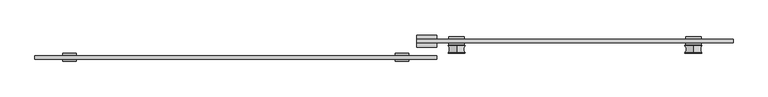
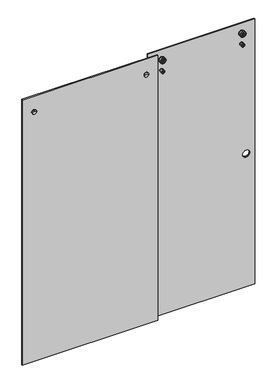
"""IFC4 building model written with IfcOpenShell, lengths in millimetres: proxy geometry."""

from ifc_helpers import new_model, si_unit, point, frame, frame_2d, origin, place, context, project, spatial, polyline, circle_curve, ellipse_curve, trimmed, segment, composite_curve, outline, extrude, source, transform, mapped, element, save
from ifc_brep_helpers import plane_surface, cylinder_surface, revolved_surface, advanced_brep


def specialty_equipment_40548308(model_context):
    return source(origin(), model_context, "Body", "SolidModel", [
        extrude(outline(polyline([(22.954, 0.0), (22.954, 21.2725), (33.8125, 21.2725), (33.8125, 4.2672), (43.3375, 4.2672), (43.3375, 21.2725), (54.196, 21.2725), (54.196, 0.0), (22.954, 0.0)])), frame((84.1375, 0.0, 0.0), z_axis=(1.0, 0.0, 0.0), x_axis=(0.0, 1.0, 0.0)), (0.0, 0.0, 1.0), 50.8225782),
        advanced_brep(
        [(46.0375, 7.14375, 2011.5609375), (63.1825, 7.14375, 2011.5609375), (28.8925, 7.14375, 2011.5609375), (28.8925, -13.7914063, 2011.5609375), (63.1825, -13.7914063, 2011.5609375), (46.0375, -13.7914063, 2011.5609375), (28.8925, -8.73125, 2011.5609375), (63.1825, -8.73125, 2011.5609375), (39.6875, -8.73125, 2011.5609375), (52.3875, -8.73125, 2011.5609375), (39.6875, 0.79375, 2011.5609375), (52.3875, 0.79375, 2011.5609375), (28.8925, 0.79375, 2011.5609375), (63.1825, 0.79375, 2011.5609375)],
        [
            (0, 1),
            (1, 2, circle_curve(frame((46.0375, 7.14375, 2011.5609375), z_axis=(0.0, 1.0, 0.0), x_axis=(1.0, 0.0, 0.0)), 17.145)),
            (2, 0),
            (2, 1, circle_curve(frame((46.0375, 7.14375, 2011.5609375), z_axis=(0.0, 1.0, 0.0), x_axis=(1.0, 0.0, 0.0)), 17.145)),
            (3, 4, circle_curve(frame((46.0375, -13.7914063, 2011.5609375), z_axis=(0.0, -1.0, 0.0), x_axis=(1.0, 0.0, 0.0)), 17.145)),
            (4, 5),
            (5, 3),
            (4, 3, circle_curve(frame((46.0375, -13.7914063, 2011.5609375), z_axis=(0.0, -1.0, 0.0), x_axis=(1.0, 0.0, 0.0)), 17.145)),
            (6, 7, circle_curve(frame((46.0375, -8.73125, 2011.5609375), z_axis=(0.0, -1.0, 0.0), x_axis=(1.0, 0.0, 0.0)), 17.145)),
            (7, 4),
            (3, 6),
            (7, 6, circle_curve(frame((46.0375, -8.73125, 2011.5609375), z_axis=(0.0, -1.0, 0.0), x_axis=(1.0, 0.0, 0.0)), 17.145)),
            (8, 9, circle_curve(frame((46.0375, -8.73125, 2011.5609375), z_axis=(0.0, -1.0, 0.0), x_axis=(1.0, 0.0, 0.0)), 6.35)),
            (9, 7),
            (6, 8),
            (9, 8, circle_curve(frame((46.0375, -8.73125, 2011.5609375), z_axis=(0.0, -1.0, 0.0), x_axis=(1.0, 0.0, 0.0)), 6.35)),
            (10, 11, circle_curve(frame((46.0375, 0.79375, 2011.5609375), z_axis=(0.0, -1.0, 0.0), x_axis=(1.0, 0.0, 0.0)), 6.35)),
            (11, 9),
            (8, 10),
            (11, 10, circle_curve(frame((46.0375, 0.79375, 2011.5609375), z_axis=(0.0, -1.0, 0.0), x_axis=(1.0, 0.0, 0.0)), 6.35)),
            (12, 13, circle_curve(frame((46.0375, 0.79375, 2011.5609375), z_axis=(0.0, -1.0, 0.0), x_axis=(1.0, 0.0, 0.0)), 17.145)),
            (13, 11),
            (10, 12),
            (13, 12, circle_curve(frame((46.0375, 0.79375, 2011.5609375), z_axis=(0.0, -1.0, 0.0), x_axis=(1.0, 0.0, 0.0)), 17.145)),
            (1, 13),
            (12, 2),
        ],
        [
            plane_surface(frame((46.0375, 7.14375, 2011.5609375), z_axis=(0.0, 1.0, 0.0), x_axis=(1.0, 0.0, 0.0))),
            plane_surface(frame((46.0375, -13.7914063, 2011.5609375), z_axis=(0.0, -1.0, 0.0), x_axis=(1.0, 0.0, 0.0))),
            cylinder_surface(frame((46.0375, 7.14375, 2011.5609375), z_axis=(0.0, 1.0, 0.0), x_axis=(1.0, 0.0, 0.0)), 17.145),
            plane_surface(frame((46.0375, -8.73125, 2011.5609375), z_axis=(0.0, 1.0, 0.0), x_axis=(1.0, 0.0, 0.0))),
            cylinder_surface(frame((46.0375, 7.14375, 2011.5609375), z_axis=(0.0, 1.0, 0.0), x_axis=(1.0, 0.0, 0.0)), 6.35),
            plane_surface(frame((46.0375, 0.79375, 2011.5609375), z_axis=(0.0, -1.0, 0.0), x_axis=(1.0, 0.0, 0.0))),
        ],
        [
            (0, [[1, 2, 3]]),
            (0, [[-3, 4, -1]]),
            (1, [[5, 6, 7]]),
            (1, [[8, -7, -6]]),
            (2, [[9, 10, -5, 11]]),
            (2, [[12, -11, -8, -10]]),
            (3, [[13, 14, -9, 15]]),
            (3, [[16, -15, -12, -14]]),
            (4, [[17, 18, -13, 19]]),
            (4, [[20, -19, -16, -18]]),
            (5, [[21, 22, -17, 23]]),
            (5, [[24, -23, -20, -22]]),
            (2, [[-2, 25, -21, 26]]),
            (2, [[-4, -26, -24, -25]]),
        ],
    ),
        advanced_brep(
        [(-804.8625, 7.14375, 2011.5609375), (-787.7175, 7.14375, 2011.5609375), (-822.0075, 7.14375, 2011.5609375), (-822.0075, -13.7914063, 2011.5609375), (-787.7175, -13.7914063, 2011.5609375), (-804.8625, -13.7914063, 2011.5609375), (-822.0075, -8.73125, 2011.5609375), (-787.7175, -8.73125, 2011.5609375), (-811.2125, -8.73125, 2011.5609375), (-798.5125, -8.73125, 2011.5609375), (-811.2125, 0.79375, 2011.5609375), (-798.5125, 0.79375, 2011.5609375), (-822.0075, 0.79375, 2011.5609375), (-787.7175, 0.79375, 2011.5609375)],
        [
            (0, 1),
            (1, 2, circle_curve(frame((-804.8625, 7.14375, 2011.5609375), z_axis=(0.0, 1.0, 0.0), x_axis=(1.0, 0.0, 0.0)), 17.145)),
            (2, 0),
            (2, 1, circle_curve(frame((-804.8625, 7.14375, 2011.5609375), z_axis=(0.0, 1.0, 0.0), x_axis=(1.0, 0.0, 0.0)), 17.145)),
            (3, 4, circle_curve(frame((-804.8625, -13.7914063, 2011.5609375), z_axis=(0.0, -1.0, 0.0), x_axis=(1.0, 0.0, 0.0)), 17.145)),
            (4, 5),
            (5, 3),
            (4, 3, circle_curve(frame((-804.8625, -13.7914063, 2011.5609375), z_axis=(0.0, -1.0, 0.0), x_axis=(1.0, 0.0, 0.0)), 17.145)),
            (6, 7, circle_curve(frame((-804.8625, -8.73125, 2011.5609375), z_axis=(0.0, -1.0, 0.0), x_axis=(1.0, 0.0, 0.0)), 17.145)),
            (7, 4),
            (3, 6),
            (7, 6, circle_curve(frame((-804.8625, -8.73125, 2011.5609375), z_axis=(0.0, -1.0, 0.0), x_axis=(1.0, 0.0, 0.0)), 17.145)),
            (8, 9, circle_curve(frame((-804.8625, -8.73125, 2011.5609375), z_axis=(0.0, -1.0, 0.0), x_axis=(1.0, 0.0, 0.0)), 6.35)),
            (9, 7),
            (6, 8),
            (9, 8, circle_curve(frame((-804.8625, -8.73125, 2011.5609375), z_axis=(0.0, -1.0, 0.0), x_axis=(1.0, 0.0, 0.0)), 6.35)),
            (10, 11, circle_curve(frame((-804.8625, 0.79375, 2011.5609375), z_axis=(0.0, -1.0, 0.0), x_axis=(1.0, 0.0, 0.0)), 6.35)),
            (11, 9),
            (8, 10),
            (11, 10, circle_curve(frame((-804.8625, 0.79375, 2011.5609375), z_axis=(0.0, -1.0, 0.0), x_axis=(1.0, 0.0, 0.0)), 6.35)),
            (12, 13, circle_curve(frame((-804.8625, 0.79375, 2011.5609375), z_axis=(0.0, -1.0, 0.0), x_axis=(1.0, 0.0, 0.0)), 17.145)),
            (13, 11),
            (10, 12),
            (13, 12, circle_curve(frame((-804.8625, 0.79375, 2011.5609375), z_axis=(0.0, -1.0, 0.0), x_axis=(1.0, 0.0, 0.0)), 17.145)),
            (1, 13),
            (12, 2),
        ],
        [
            plane_surface(frame((-804.8625, 7.14375, 2011.5609375), z_axis=(0.0, 1.0, 0.0), x_axis=(1.0, 0.0, 0.0))),
            plane_surface(frame((-804.8625, -13.7914063, 2011.5609375), z_axis=(0.0, -1.0, 0.0), x_axis=(1.0, 0.0, 0.0))),
            cylinder_surface(frame((-804.8625, 7.14375, 2011.5609375), z_axis=(0.0, 1.0, 0.0), x_axis=(1.0, 0.0, 0.0)), 17.145),
            plane_surface(frame((-804.8625, -8.73125, 2011.5609375), z_axis=(0.0, 1.0, 0.0), x_axis=(1.0, 0.0, 0.0))),
            cylinder_surface(frame((-804.8625, 7.14375, 2011.5609375), z_axis=(0.0, 1.0, 0.0), x_axis=(1.0, 0.0, 0.0)), 6.35),
            plane_surface(frame((-804.8625, 0.79375, 2011.5609375), z_axis=(0.0, -1.0, 0.0), x_axis=(1.0, 0.0, 0.0))),
        ],
        [
            (0, [[1, 2, 3]]),
            (0, [[-3, 4, -1]]),
            (1, [[5, 6, 7]]),
            (1, [[8, -7, -6]]),
            (2, [[9, 10, -5, 11]]),
            (2, [[12, -11, -8, -10]]),
            (3, [[13, 14, -9, 15]]),
            (3, [[16, -15, -12, -14]]),
            (4, [[17, 18, -13, 19]]),
            (4, [[20, -19, -16, -18]]),
            (5, [[21, 22, -17, 23]]),
            (5, [[24, -23, -20, -22]]),
            (2, [[-2, 25, -21, 26]]),
            (2, [[-4, -26, -24, -25]]),
        ],
    ),
        extrude(outline(polyline([(134.9375, -8.73125), (-893.7625, -8.73125), (-893.7625, 0.79375), (134.9375, 0.79375), (134.9375, -8.73125)])), frame((0.0, 0.0, 6.35), z_axis=(0.0, 0.0, 1.0), x_axis=(1.0, 0.0, 0.0)), (0.0, 0.0, 1.0), 2127.25),
        advanced_brep(
        [(792.1625, 7.5883812, 1975.7082127), (792.1625, 7.5883812, 1968.0386623), (792.1625, 7.5883812, 1970.2859375), (792.1625, 7.5883812, 1973.4609375), (792.1625, 8.985918, 1984.1389114), (792.1625, 8.985918, 1959.6079636), (792.1625, 7.6256516, 1960.4379605), (792.1625, 7.6256516, 1983.3089145), (792.1625, 26.3538192, 1984.2064616), (792.1625, 26.3538192, 1959.5404134), (792.1625, 27.4625, 1973.4609375), (792.1625, 27.4625, 1970.2859375), (792.1625, 27.4625, 1959.5404134), (792.1625, 27.4625, 1984.2064616), (792.1625, 8.6630529, 1975.7082127), (792.1625, 8.6630529, 1968.0386623), (792.1625, 8.6630529, 1978.8596289), (792.1625, 8.6630529, 1964.8872461), (792.1625, 7.6256516, 1978.8596289), (792.1625, 7.6256516, 1964.8872461)],
        [
            (0, 1, circle_curve(frame((792.1625, 7.5883812, 1971.8734375), z_axis=(0.0, -1.0, 0.0), x_axis=(0.0, 0.0, -1.0)), 3.8347752)),
            (1, 2),
            (2, 3, circle_curve(frame((792.1625, 7.5883812, 1971.8734375), z_axis=(0.0, 1.0, 0.0), x_axis=(0.0, 0.0, -1.0)), 1.5875)),
            (3, 0),
            (1, 0, circle_curve(frame((792.1625, 7.5883812, 1971.8734375), z_axis=(0.0, -1.0, 0.0), x_axis=(0.0, 0.0, -1.0)), 3.8347752)),
            (3, 2, circle_curve(frame((792.1625, 7.5883812, 1971.8734375), z_axis=(0.0, 1.0, 0.0), x_axis=(0.0, 0.0, -1.0)), 1.5875)),
            (4, 5, circle_curve(frame((792.1625, 8.985918, 1971.8734375), z_axis=(0.0, -1.0, 0.0), x_axis=(0.0, 0.0, -1.0)), 12.2654739)),
            (5, 6, circle_curve(frame((792.1625, 8.5590054, 1960.4379605), z_axis=(-1.0, 0.0, 0.0), x_axis=(0.0, 1.0, 0.0)), 0.9333538)),
            (6, 7, circle_curve(frame((792.1625, 7.6256516, 1971.8734375), z_axis=(0.0, 1.0, 0.0), x_axis=(0.0, 0.0, -1.0)), 11.435477)),
            (7, 4, circle_curve(frame((792.1625, 8.5590054, 1983.3089145), z_axis=(-1.0, 0.0, 0.0), x_axis=(0.0, 1.0, 0.0)), 0.9333538)),
            (5, 4, circle_curve(frame((792.1625, 8.985918, 1971.8734375), z_axis=(0.0, -1.0, 0.0), x_axis=(0.0, 0.0, -1.0)), 12.2654739)),
            (7, 6, circle_curve(frame((792.1625, 7.6256516, 1971.8734375), z_axis=(0.0, 1.0, 0.0), x_axis=(0.0, 0.0, -1.0)), 11.435477)),
            (8, 9, circle_curve(frame((792.1625, 26.3538192, 1971.8734375), z_axis=(0.0, -1.0, 0.0), x_axis=(0.0, 0.0, -1.0)), 12.3330241)),
            (9, 5, circle_curve(frame((792.1625, 17.5686149, 1933.5407643), z_axis=(1.0, 0.0, 0.0), x_axis=(0.0, 1.0, 0.0)), 27.4437892)),
            (4, 8, circle_curve(frame((792.1625, 17.5686149, 2010.2061107), z_axis=(1.0, 0.0, 0.0), x_axis=(0.0, 1.0, 0.0)), 27.4437892)),
            (9, 8, circle_curve(frame((792.1625, 26.3538192, 1971.8734375), z_axis=(0.0, -1.0, 0.0), x_axis=(0.0, 0.0, -1.0)), 12.3330241)),
            (10, 11, circle_curve(frame((792.1625, 27.4625, 1971.8734375), z_axis=(0.0, -1.0, 0.0), x_axis=(0.0, 0.0, -1.0)), 1.5875)),
            (11, 12),
            (12, 13, circle_curve(frame((792.1625, 27.4625, 1971.8734375), z_axis=(0.0, 1.0, 0.0), x_axis=(0.0, 0.0, -1.0)), 12.3330241)),
            (13, 10),
            (11, 10, circle_curve(frame((792.1625, 27.4625, 1971.8734375), z_axis=(0.0, -1.0, 0.0), x_axis=(0.0, 0.0, -1.0)), 1.5875)),
            (13, 12, circle_curve(frame((792.1625, 27.4625, 1971.8734375), z_axis=(0.0, 1.0, 0.0), x_axis=(0.0, 0.0, -1.0)), 12.3330241)),
            (2, 11),
            (10, 3),
            (14, 15, circle_curve(frame((792.1625, 8.6630529, 1971.8734375), z_axis=(0.0, -1.0, 0.0), x_axis=(0.0, 0.0, -1.0)), 3.8347752)),
            (15, 1),
            (0, 14),
            (15, 14, circle_curve(frame((792.1625, 8.6630529, 1971.8734375), z_axis=(0.0, -1.0, 0.0), x_axis=(0.0, 0.0, -1.0)), 3.8347752)),
            (16, 17, circle_curve(frame((792.1625, 8.6630529, 1971.8734375), z_axis=(0.0, -1.0, 0.0), x_axis=(0.0, 0.0, -1.0)), 6.9861914)),
            (17, 15),
            (14, 16),
            (17, 16, circle_curve(frame((792.1625, 8.6630529, 1971.8734375), z_axis=(0.0, -1.0, 0.0), x_axis=(0.0, 0.0, -1.0)), 6.9861914)),
            (18, 19, circle_curve(frame((792.1625, 7.6256516, 1971.8734375), z_axis=(0.0, -1.0, 0.0), x_axis=(0.0, 0.0, -1.0)), 6.9861914)),
            (19, 17),
            (16, 18),
            (19, 18, circle_curve(frame((792.1625, 7.6256516, 1971.8734375), z_axis=(0.0, -1.0, 0.0), x_axis=(0.0, 0.0, -1.0)), 6.9861914)),
            (6, 19),
            (18, 7),
            (12, 9),
            (8, 13),
        ],
        [
            plane_surface(frame((792.1625, 7.5883812, 1971.8734375), z_axis=(0.0, -1.0, 0.0), x_axis=(0.0, 0.0, -1.0))),
            revolved_surface(trimmed(ellipse_curve(frame((792.1625, 8.5590054, 1960.4379605), z_axis=(1.0, 0.0, 0.0), x_axis=(0.0, 1.0, 0.0)), 0.9333538, 0.9333538), [point((792.1625, 7.6256516, 1960.4379605))], [point((792.1625, 8.985918, 1959.6079636))], True, "CARTESIAN"), (792.1625, -13.5349359, 1971.8734375), (0.0, 1.0, 0.0)),
            revolved_surface(trimmed(ellipse_curve(frame((792.1625, 17.5686149, 1933.5407643), z_axis=(-1.0, 0.0, 0.0), x_axis=(0.0, 1.0, 0.0)), 27.4437892, 27.4437892), [point((792.1625, 8.985918, 1959.6079636))], [point((792.1625, 26.3538192, 1959.5404134))], True, "CARTESIAN"), (792.1625, -13.5349359, 1971.8734375), (0.0, 1.0, 0.0)),
            plane_surface(frame((792.1625, 27.4625, 1971.8734375), z_axis=(0.0, 1.0, 0.0), x_axis=(0.0, 0.0, -1.0))),
            revolved_surface(polyline([(792.1625, 27.4625, 1970.2859374999998), (792.1625, 7.588381200000001, 1970.2859374999998)]), (792.1625, -13.5349359, 1971.8734375), (0.0, 1.0, 0.0)),
            cylinder_surface(frame((792.1625, -13.5349359, 1971.8734375), z_axis=(0.0, 1.0, 0.0), x_axis=(0.0, 0.0, -1.0)), 3.8347752),
            plane_surface(frame((792.1625, 8.6630529, 1971.8734375), z_axis=(0.0, -1.0, 0.0), x_axis=(0.0, 0.0, -1.0))),
            revolved_surface(polyline([(792.1625, 8.6630529, 1964.8872460999999), (792.1625, 7.625651600000001, 1964.8872460999999)]), (792.1625, -13.5349359, 1971.8734375), (0.0, 1.0, 0.0)),
            plane_surface(frame((792.1625, 7.6256516, 1971.8734375), z_axis=(0.0, -1.0, 0.0), x_axis=(0.0, 0.0, -1.0))),
            cylinder_surface(frame((792.1625, -13.5349359, 1971.8734375), z_axis=(0.0, 1.0, 0.0), x_axis=(0.0, 0.0, -1.0)), 12.3330241),
        ],
        [
            (0, [[1, 2, 3, 4]]),
            (0, [[5, -4, 6, -2]]),
            (1, [[7, 8, 9, 10]]),
            (1, [[11, -10, 12, -8]]),
            (2, [[13, 14, -7, 15]]),
            (2, [[16, -15, -11, -14]]),
            (3, [[17, 18, 19, 20]]),
            (3, [[21, -20, 22, -18]]),
            (4, [[-3, 23, -17, 24]]),
            (4, [[-6, -24, -21, -23]]),
            (5, [[25, 26, -1, 27]]),
            (5, [[28, -27, -5, -26]]),
            (6, [[29, 30, -25, 31]]),
            (6, [[32, -31, -28, -30]]),
            (7, [[33, 34, -29, 35]]),
            (7, [[36, -35, -32, -34]]),
            (8, [[-9, 37, -33, 38]]),
            (8, [[-12, -38, -36, -37]]),
            (9, [[-19, 39, -13, 40]]),
            (9, [[-22, -40, -16, -39]]),
        ],
    ),
        advanced_brep(
        [(792.1625, 23.9534145, 2074.7365624), (792.1625, 23.9534145, 2046.8103126), (792.1625, 27.4625, 2046.8103126), (792.1625, 27.4625, 2074.7365624), (792.1625, 23.9534145, 2067.0068419), (792.1625, 23.9534145, 2054.5400331), (792.1625, 27.4625, 2067.0068419), (792.1625, 27.4625, 2054.5400331), (792.1625, 27.4625, 2062.3609375), (792.1625, 27.4625, 2059.1859375), (792.1625, 7.4625, 2067.0068419), (792.1625, 7.4625, 2054.5400331), (792.1625, 7.4625, 2059.1859375), (792.1625, 7.4625, 2062.3609375), (792.1625, 8.6630529, 2067.0068419), (792.1625, 8.6630529, 2054.5400331), (792.1625, 8.6630529, 2074.7365624), (792.1625, 8.6630529, 2046.8103126), (792.1625, 7.4625, 2074.7365624), (792.1625, 7.4625, 2046.8103126), (792.1625, 7.4625, 2081.7122212), (792.1625, 7.4625, 2039.8346538), (792.1625, 8.8478411, 2082.6587111), (792.1625, 8.8478411, 2038.8881639), (792.1625, 26.0771589, 2082.6587111), (792.1625, 26.0771589, 2038.8881639), (792.1625, 27.4625, 2081.7122212), (792.1625, 27.4625, 2039.8346538)],
        [
            (0, 1, circle_curve(frame((792.1625, 23.9534145, 2060.7734375), z_axis=(0.0, -1.0, 0.0), x_axis=(0.0, 0.0, -1.0)), 13.9631249)),
            (1, 2),
            (2, 3, circle_curve(frame((792.1625, 27.4625, 2060.7734375), z_axis=(0.0, 1.0, 0.0), x_axis=(0.0, 0.0, -1.0)), 13.9631249)),
            (3, 0),
            (1, 0, circle_curve(frame((792.1625, 23.9534145, 2060.7734375), z_axis=(0.0, -1.0, 0.0), x_axis=(0.0, 0.0, -1.0)), 13.9631249)),
            (3, 2, circle_curve(frame((792.1625, 27.4625, 2060.7734375), z_axis=(0.0, 1.0, 0.0), x_axis=(0.0, 0.0, -1.0)), 13.9631249)),
            (4, 5, circle_curve(frame((792.1625, 23.9534145, 2060.7734375), z_axis=(0.0, -1.0, 0.0), x_axis=(0.0, 0.0, -1.0)), 6.2334044)),
            (5, 1),
            (0, 4),
            (5, 4, circle_curve(frame((792.1625, 23.9534145, 2060.7734375), z_axis=(0.0, -1.0, 0.0), x_axis=(0.0, 0.0, -1.0)), 6.2334044)),
            (6, 7, circle_curve(frame((792.1625, 27.4625, 2060.7734375), z_axis=(0.0, -1.0, 0.0), x_axis=(0.0, 0.0, -1.0)), 6.2334044)),
            (7, 5),
            (4, 6),
            (7, 6, circle_curve(frame((792.1625, 27.4625, 2060.7734375), z_axis=(0.0, -1.0, 0.0), x_axis=(0.0, 0.0, -1.0)), 6.2334044)),
            (8, 9, circle_curve(frame((792.1625, 27.4625, 2060.7734375), z_axis=(0.0, -1.0, 0.0), x_axis=(0.0, 0.0, -1.0)), 1.5875)),
            (9, 7),
            (6, 8),
            (9, 8, circle_curve(frame((792.1625, 27.4625, 2060.7734375), z_axis=(0.0, -1.0, 0.0), x_axis=(0.0, 0.0, -1.0)), 1.5875)),
            (10, 11, circle_curve(frame((792.1625, 7.4625, 2060.7734375), z_axis=(0.0, -1.0, 0.0), x_axis=(0.0, 0.0, -1.0)), 6.2334044)),
            (11, 12),
            (12, 13, circle_curve(frame((792.1625, 7.4625, 2060.7734375), z_axis=(0.0, 1.0, 0.0), x_axis=(0.0, 0.0, -1.0)), 1.5875)),
            (13, 10),
            (11, 10, circle_curve(frame((792.1625, 7.4625, 2060.7734375), z_axis=(0.0, -1.0, 0.0), x_axis=(0.0, 0.0, -1.0)), 6.2334044)),
            (13, 12, circle_curve(frame((792.1625, 7.4625, 2060.7734375), z_axis=(0.0, 1.0, 0.0), x_axis=(0.0, 0.0, -1.0)), 1.5875)),
            (14, 15, circle_curve(frame((792.1625, 8.6630529, 2060.7734375), z_axis=(0.0, -1.0, 0.0), x_axis=(0.0, 0.0, -1.0)), 6.2334044)),
            (15, 11),
            (10, 14),
            (15, 14, circle_curve(frame((792.1625, 8.6630529, 2060.7734375), z_axis=(0.0, -1.0, 0.0), x_axis=(0.0, 0.0, -1.0)), 6.2334044)),
            (16, 17, circle_curve(frame((792.1625, 8.6630529, 2060.7734375), z_axis=(0.0, -1.0, 0.0), x_axis=(0.0, 0.0, -1.0)), 13.9631249)),
            (17, 15),
            (14, 16),
            (17, 16, circle_curve(frame((792.1625, 8.6630529, 2060.7734375), z_axis=(0.0, -1.0, 0.0), x_axis=(0.0, 0.0, -1.0)), 13.9631249)),
            (18, 19, circle_curve(frame((792.1625, 7.4625, 2060.7734375), z_axis=(0.0, -1.0, 0.0), x_axis=(0.0, 0.0, -1.0)), 13.9631249)),
            (19, 17),
            (16, 18),
            (19, 18, circle_curve(frame((792.1625, 7.4625, 2060.7734375), z_axis=(0.0, -1.0, 0.0), x_axis=(0.0, 0.0, -1.0)), 13.9631249)),
            (20, 21, circle_curve(frame((792.1625, 7.4625, 2060.7734375), z_axis=(0.0, -1.0, 0.0), x_axis=(0.0, 0.0, -1.0)), 20.9387837)),
            (21, 19),
            (18, 20),
            (21, 20, circle_curve(frame((792.1625, 7.4625, 2060.7734375), z_axis=(0.0, -1.0, 0.0), x_axis=(0.0, 0.0, -1.0)), 20.9387837)),
            (22, 23, circle_curve(frame((792.1625, 8.8478411, 2060.7734375), z_axis=(0.0, -1.0, 0.0), x_axis=(0.0, 0.0, -1.0)), 21.8852736)),
            (23, 21, circle_curve(frame((792.1625, 8.4785, 2039.8346538), z_axis=(-1.0, 0.0, 0.0), x_axis=(0.0, 1.0, 0.0)), 1.016)),
            (20, 22, circle_curve(frame((792.1625, 8.4785, 2081.7122212), z_axis=(-1.0, 0.0, 0.0), x_axis=(0.0, 1.0, 0.0)), 1.016)),
            (23, 22, circle_curve(frame((792.1625, 8.8478411, 2060.7734375), z_axis=(0.0, -1.0, 0.0), x_axis=(0.0, 0.0, -1.0)), 21.8852736)),
            (24, 25, circle_curve(frame((792.1625, 26.0771589, 2060.7734375), z_axis=(0.0, -1.0, 0.0), x_axis=(0.0, 0.0, -1.0)), 21.8852736)),
            (25, 23, circle_curve(frame((792.1625, 17.4625, 2029.5308223), z_axis=(1.0, 0.0, 0.0), x_axis=(0.0, 1.0, 0.0)), 12.7189697)),
            (22, 24, circle_curve(frame((792.1625, 17.4625, 2092.0160527), z_axis=(1.0, 0.0, 0.0), x_axis=(0.0, 1.0, 0.0)), 12.7189697)),
            (25, 24, circle_curve(frame((792.1625, 26.0771589, 2060.7734375), z_axis=(0.0, -1.0, 0.0), x_axis=(0.0, 0.0, -1.0)), 21.8852736)),
            (26, 27, circle_curve(frame((792.1625, 27.4625, 2060.7734375), z_axis=(0.0, -1.0, 0.0), x_axis=(0.0, 0.0, -1.0)), 20.9387837)),
            (27, 25, circle_curve(frame((792.1625, 26.4465, 2039.8346538), z_axis=(-1.0, 0.0, 0.0), x_axis=(0.0, 1.0, 0.0)), 1.016)),
            (24, 26, circle_curve(frame((792.1625, 26.4465, 2081.7122212), z_axis=(-1.0, 0.0, 0.0), x_axis=(0.0, 1.0, 0.0)), 1.016)),
            (27, 26, circle_curve(frame((792.1625, 27.4625, 2060.7734375), z_axis=(0.0, -1.0, 0.0), x_axis=(0.0, 0.0, -1.0)), 20.9387837)),
            (2, 27),
            (26, 3),
            (12, 9),
            (8, 13),
        ],
        [
            revolved_surface(polyline([(792.1625, 27.4625, 2046.8103126), (792.1625, 23.9534145, 2046.8103126)]), (792.1625, -10.752517, 2060.7734375), (0.0, 1.0, 0.0)),
            plane_surface(frame((792.1625, 23.9534145, 2060.7734375), z_axis=(0.0, 1.0, 0.0), x_axis=(0.0, 0.0, -1.0))),
            cylinder_surface(frame((792.1625, -10.752517, 2060.7734375), z_axis=(0.0, 1.0, 0.0), x_axis=(0.0, 0.0, -1.0)), 6.2334044),
            plane_surface(frame((792.1625, 27.4625, 2060.7734375), z_axis=(0.0, 1.0, 0.0), x_axis=(0.0, 0.0, -1.0))),
            plane_surface(frame((792.1625, 7.4625, 2060.7734375), z_axis=(0.0, -1.0, 0.0), x_axis=(0.0, 0.0, -1.0))),
            plane_surface(frame((792.1625, 8.6630529, 2060.7734375), z_axis=(0.0, -1.0, 0.0), x_axis=(0.0, 0.0, -1.0))),
            revolved_surface(polyline([(792.1625, 8.663052900000002, 2046.8103126), (792.1625, 7.4625, 2046.8103126)]), (792.1625, -10.752517, 2060.7734375), (0.0, 1.0, 0.0)),
            revolved_surface(trimmed(ellipse_curve(frame((792.1625, 8.4785, 2039.8346538), z_axis=(1.0, 0.0, 0.0), x_axis=(0.0, 1.0, 0.0)), 1.016, 1.016), [point((792.1625, 7.4625, 2039.8346538))], [point((792.1625, 8.8478411, 2038.8881639))], True, "CARTESIAN"), (792.1625, -10.752517, 2060.7734375), (0.0, 1.0, 0.0)),
            revolved_surface(trimmed(ellipse_curve(frame((792.1625, 17.4625, 2029.5308223), z_axis=(-1.0, 0.0, 0.0), x_axis=(0.0, 1.0, 0.0)), 12.7189697, 12.7189697), [point((792.1625, 8.8478411, 2038.8881639))], [point((792.1625, 26.0771589, 2038.8881639))], True, "CARTESIAN"), (792.1625, -10.752517, 2060.7734375), (0.0, 1.0, 0.0)),
            revolved_surface(trimmed(ellipse_curve(frame((792.1625, 26.4465, 2039.8346538), z_axis=(1.0, 0.0, 0.0), x_axis=(0.0, 1.0, 0.0)), 1.016, 1.016), [point((792.1625, 26.0771589, 2038.8881639))], [point((792.1625, 27.4625, 2039.8346538))], True, "CARTESIAN"), (792.1625, -10.752517, 2060.7734375), (0.0, 1.0, 0.0)),
            revolved_surface(polyline([(792.1625, 27.4625, 2059.1859375), (792.1625, 7.4625, 2059.1859375)]), (792.1625, -10.752517, 2060.7734375), (0.0, 1.0, 0.0)),
        ],
        [
            (0, [[1, 2, 3, 4]]),
            (0, [[5, -4, 6, -2]]),
            (1, [[7, 8, -1, 9]]),
            (1, [[10, -9, -5, -8]]),
            (2, [[11, 12, -7, 13]]),
            (2, [[14, -13, -10, -12]]),
            (3, [[15, 16, -11, 17]]),
            (3, [[18, -17, -14, -16]]),
            (4, [[19, 20, 21, 22]]),
            (4, [[23, -22, 24, -20]]),
            (2, [[25, 26, -19, 27]]),
            (2, [[28, -27, -23, -26]]),
            (5, [[29, 30, -25, 31]]),
            (5, [[32, -31, -28, -30]]),
            (6, [[33, 34, -29, 35]]),
            (6, [[36, -35, -32, -34]]),
            (4, [[37, 38, -33, 39]]),
            (4, [[40, -39, -36, -38]]),
            (7, [[41, 42, -37, 43]]),
            (7, [[44, -43, -40, -42]]),
            (8, [[45, 46, -41, 47]]),
            (8, [[48, -47, -44, -46]]),
            (9, [[49, 50, -45, 51]]),
            (9, [[52, -51, -48, -50]]),
            (3, [[-3, 53, -49, 54]]),
            (3, [[-6, -54, -52, -53]]),
            (10, [[-21, 55, -15, 56]]),
            (10, [[-24, -56, -18, -55]]),
        ],
    ),
        extrude(outline(composite_curve([segment(trimmed(circle_curve(frame_2d((1971.8734375, 792.1625)), 6.35), [point((1971.8734375, 785.8125))], [point((1971.8734375, 798.5125))], False, "CARTESIAN"), True, "CONTINUOUS"), segment(trimmed(circle_curve(frame_2d((1971.8734375, 792.1625)), 6.35), [point((1971.8734375, 798.5125))], [point((1971.8734375, 785.8125))], False, "CARTESIAN"), True, "CONTINUOUS")], self_intersect=False)), frame((0.0, 33.8125, 0.0), z_axis=(0.0, 1.0, 0.0), x_axis=(0.0, 0.0, 1.0)), (0.0, 0.0, 1.0), 9.525),
        extrude(outline(composite_curve([segment(trimmed(circle_curve(frame_2d((2060.7734375, 792.1625)), 6.35), [point((2060.7734375, 785.8125))], [point((2060.7734375, 798.5125))], False, "CARTESIAN"), True, "CONTINUOUS"), segment(trimmed(circle_curve(frame_2d((2060.7734375, 792.1625)), 6.35), [point((2060.7734375, 798.5125))], [point((2060.7734375, 785.8125))], False, "CARTESIAN"), True, "CONTINUOUS")], self_intersect=False)), frame((0.0, 33.8125, 0.0), z_axis=(0.0, 1.0, 0.0), x_axis=(0.0, 0.0, 1.0)), (0.0, 0.0, 1.0), 9.525),
        extrude(outline(composite_curve([segment(trimmed(circle_curve(frame_2d((1971.8734375, 792.1625)), 12.2900341), [point((1971.8734375, 779.8724659))], [point((1971.8734375, 804.4525341))], False, "CARTESIAN"), True, "CONTINUOUS"), segment(trimmed(circle_curve(frame_2d((1971.8734375, 792.1625)), 12.2900341), [point((1971.8734375, 804.4525341))], [point((1971.8734375, 779.8724659))], False, "CARTESIAN"), True, "CONTINUOUS")], self_intersect=False)), frame((0.0, 43.3375, 0.0), z_axis=(0.0, 1.0, 0.0), x_axis=(0.0, 0.0, 1.0)), (0.0, 0.0, 1.0), 5.7785),
        extrude(outline(composite_curve([segment(trimmed(circle_curve(frame_2d((2060.7734375, 792.1625)), 19.939), [point((2060.7734375, 772.2235))], [point((2060.7734375, 812.1015))], False, "CARTESIAN"), True, "CONTINUOUS"), segment(trimmed(circle_curve(frame_2d((2060.7734375, 792.1625)), 19.939), [point((2060.7734375, 812.1015))], [point((2060.7734375, 772.2235))], False, "CARTESIAN"), True, "CONTINUOUS")], self_intersect=False)), frame((0.0, 43.3375, 0.0), z_axis=(0.0, 1.0, 0.0), x_axis=(0.0, 0.0, 1.0)), (0.0, 0.0, 1.0), 5.7625),
        extrude(outline(composite_curve([segment(trimmed(circle_curve(frame_2d((2060.7734375, 792.1625)), 19.939), [point((2060.7734375, 772.2235))], [point((2060.7734375, 812.1015))], False, "CARTESIAN"), True, "CONTINUOUS"), segment(trimmed(circle_curve(frame_2d((2060.7734375, 792.1625)), 19.939), [point((2060.7734375, 812.1015))], [point((2060.7734375, 772.2235))], False, "CARTESIAN"), True, "CONTINUOUS")], self_intersect=False)), frame((0.0, 27.4625, 0.0), z_axis=(0.0, 1.0, 0.0), x_axis=(0.0, 0.0, 1.0)), (0.0, 0.0, 1.0), 6.35),
        extrude(outline(composite_curve([segment(trimmed(circle_curve(frame_2d((1971.8734375, 792.1625)), 12.3344302), [point((1971.8734375, 779.8280698))], [point((1971.8734375, 804.4969302))], False, "CARTESIAN"), True, "CONTINUOUS"), segment(trimmed(circle_curve(frame_2d((1971.8734375, 792.1625)), 12.3344302), [point((1971.8734375, 804.4969302))], [point((1971.8734375, 779.8280698))], False, "CARTESIAN"), True, "CONTINUOUS")], self_intersect=False)), frame((0.0, 27.4625, 0.0), z_axis=(0.0, 1.0, 0.0), x_axis=(0.0, 0.0, 1.0)), (0.0, 0.0, 1.0), 6.35),
        advanced_brep(
        [(185.7375, 7.5883812, 1975.7082127), (185.7375, 7.5883812, 1968.0386623), (185.7375, 7.5883812, 1970.2859375), (185.7375, 7.5883812, 1973.4609375), (185.7375, 8.985918, 1984.1389114), (185.7375, 8.985918, 1959.6079636), (185.7375, 7.6256516, 1960.4379605), (185.7375, 7.6256516, 1983.3089145), (185.7375, 26.3538192, 1984.2064616), (185.7375, 26.3538192, 1959.5404134), (185.7375, 27.4625, 1973.4609375), (185.7375, 27.4625, 1970.2859375), (185.7375, 27.4625, 1959.5404134), (185.7375, 27.4625, 1984.2064616), (185.7375, 8.6630529, 1975.7082127), (185.7375, 8.6630529, 1968.0386623), (185.7375, 8.6630529, 1978.8596289), (185.7375, 8.6630529, 1964.8872461), (185.7375, 7.6256516, 1978.8596289), (185.7375, 7.6256516, 1964.8872461)],
        [
            (0, 1, circle_curve(frame((185.7375, 7.5883812, 1971.8734375), z_axis=(0.0, -1.0, 0.0), x_axis=(0.0, 0.0, -1.0)), 3.8347752)),
            (1, 2),
            (2, 3, circle_curve(frame((185.7375, 7.5883812, 1971.8734375), z_axis=(0.0, 1.0, 0.0), x_axis=(0.0, 0.0, -1.0)), 1.5875)),
            (3, 0),
            (1, 0, circle_curve(frame((185.7375, 7.5883812, 1971.8734375), z_axis=(0.0, -1.0, 0.0), x_axis=(0.0, 0.0, -1.0)), 3.8347752)),
            (3, 2, circle_curve(frame((185.7375, 7.5883812, 1971.8734375), z_axis=(0.0, 1.0, 0.0), x_axis=(0.0, 0.0, -1.0)), 1.5875)),
            (4, 5, circle_curve(frame((185.7375, 8.985918, 1971.8734375), z_axis=(0.0, -1.0, 0.0), x_axis=(0.0, 0.0, -1.0)), 12.2654739)),
            (5, 6, circle_curve(frame((185.7375, 8.5590054, 1960.4379605), z_axis=(-1.0, 0.0, 0.0), x_axis=(0.0, 1.0, 0.0)), 0.9333538)),
            (6, 7, circle_curve(frame((185.7375, 7.6256516, 1971.8734375), z_axis=(0.0, 1.0, 0.0), x_axis=(0.0, 0.0, -1.0)), 11.435477)),
            (7, 4, circle_curve(frame((185.7375, 8.5590054, 1983.3089145), z_axis=(-1.0, 0.0, 0.0), x_axis=(0.0, 1.0, 0.0)), 0.9333538)),
            (5, 4, circle_curve(frame((185.7375, 8.985918, 1971.8734375), z_axis=(0.0, -1.0, 0.0), x_axis=(0.0, 0.0, -1.0)), 12.2654739)),
            (7, 6, circle_curve(frame((185.7375, 7.6256516, 1971.8734375), z_axis=(0.0, 1.0, 0.0), x_axis=(0.0, 0.0, -1.0)), 11.435477)),
            (8, 9, circle_curve(frame((185.7375, 26.3538192, 1971.8734375), z_axis=(0.0, -1.0, 0.0), x_axis=(0.0, 0.0, -1.0)), 12.3330241)),
            (9, 5, circle_curve(frame((185.7375, 17.5686149, 1933.5407643), z_axis=(1.0, 0.0, 0.0), x_axis=(0.0, 1.0, 0.0)), 27.4437892)),
            (4, 8, circle_curve(frame((185.7375, 17.5686149, 2010.2061107), z_axis=(1.0, 0.0, 0.0), x_axis=(0.0, 1.0, 0.0)), 27.4437892)),
            (9, 8, circle_curve(frame((185.7375, 26.3538192, 1971.8734375), z_axis=(0.0, -1.0, 0.0), x_axis=(0.0, 0.0, -1.0)), 12.3330241)),
            (10, 11, circle_curve(frame((185.7375, 27.4625, 1971.8734375), z_axis=(0.0, -1.0, 0.0), x_axis=(0.0, 0.0, -1.0)), 1.5875)),
            (11, 12),
            (12, 13, circle_curve(frame((185.7375, 27.4625, 1971.8734375), z_axis=(0.0, 1.0, 0.0), x_axis=(0.0, 0.0, -1.0)), 12.3330241)),
            (13, 10),
            (11, 10, circle_curve(frame((185.7375, 27.4625, 1971.8734375), z_axis=(0.0, -1.0, 0.0), x_axis=(0.0, 0.0, -1.0)), 1.5875)),
            (13, 12, circle_curve(frame((185.7375, 27.4625, 1971.8734375), z_axis=(0.0, 1.0, 0.0), x_axis=(0.0, 0.0, -1.0)), 12.3330241)),
            (2, 11),
            (10, 3),
            (14, 15, circle_curve(frame((185.7375, 8.6630529, 1971.8734375), z_axis=(0.0, -1.0, 0.0), x_axis=(0.0, 0.0, -1.0)), 3.8347752)),
            (15, 1),
            (0, 14),
            (15, 14, circle_curve(frame((185.7375, 8.6630529, 1971.8734375), z_axis=(0.0, -1.0, 0.0), x_axis=(0.0, 0.0, -1.0)), 3.8347752)),
            (16, 17, circle_curve(frame((185.7375, 8.6630529, 1971.8734375), z_axis=(0.0, -1.0, 0.0), x_axis=(0.0, 0.0, -1.0)), 6.9861914)),
            (17, 15),
            (14, 16),
            (17, 16, circle_curve(frame((185.7375, 8.6630529, 1971.8734375), z_axis=(0.0, -1.0, 0.0), x_axis=(0.0, 0.0, -1.0)), 6.9861914)),
            (18, 19, circle_curve(frame((185.7375, 7.6256516, 1971.8734375), z_axis=(0.0, -1.0, 0.0), x_axis=(0.0, 0.0, -1.0)), 6.9861914)),
            (19, 17),
            (16, 18),
            (19, 18, circle_curve(frame((185.7375, 7.6256516, 1971.8734375), z_axis=(0.0, -1.0, 0.0), x_axis=(0.0, 0.0, -1.0)), 6.9861914)),
            (6, 19),
            (18, 7),
            (12, 9),
            (8, 13),
        ],
        [
            plane_surface(frame((185.7375, 7.5883812, 1971.8734375), z_axis=(0.0, -1.0, 0.0), x_axis=(0.0, 0.0, -1.0))),
            revolved_surface(trimmed(ellipse_curve(frame((185.7375, 8.5590054, 1960.4379605), z_axis=(1.0, 0.0, 0.0), x_axis=(0.0, 1.0, 0.0)), 0.9333538, 0.9333538), [point((185.7375, 7.6256516, 1960.4379605))], [point((185.7375, 8.985918, 1959.6079636))], True, "CARTESIAN"), (185.7375, -13.5349359, 1971.8734375), (0.0, 1.0, 0.0)),
            revolved_surface(trimmed(ellipse_curve(frame((185.7375, 17.5686149, 1933.5407643), z_axis=(-1.0, 0.0, 0.0), x_axis=(0.0, 1.0, 0.0)), 27.4437892, 27.4437892), [point((185.7375, 8.985918, 1959.6079636))], [point((185.7375, 26.3538192, 1959.5404134))], True, "CARTESIAN"), (185.7375, -13.5349359, 1971.8734375), (0.0, 1.0, 0.0)),
            plane_surface(frame((185.7375, 27.4625, 1971.8734375), z_axis=(0.0, 1.0, 0.0), x_axis=(0.0, 0.0, -1.0))),
            revolved_surface(polyline([(185.7375, 27.4625, 1970.2859374999998), (185.7375, 7.588381200000001, 1970.2859374999998)]), (185.7375, -13.5349359, 1971.8734375), (0.0, 1.0, 0.0)),
            cylinder_surface(frame((185.7375, -13.5349359, 1971.8734375), z_axis=(0.0, 1.0, 0.0), x_axis=(0.0, 0.0, -1.0)), 3.8347752),
            plane_surface(frame((185.7375, 8.6630529, 1971.8734375), z_axis=(0.0, -1.0, 0.0), x_axis=(0.0, 0.0, -1.0))),
            revolved_surface(polyline([(185.7375, 8.6630529, 1964.8872460999999), (185.7375, 7.625651600000001, 1964.8872460999999)]), (185.7375, -13.5349359, 1971.8734375), (0.0, 1.0, 0.0)),
            plane_surface(frame((185.7375, 7.6256516, 1971.8734375), z_axis=(0.0, -1.0, 0.0), x_axis=(0.0, 0.0, -1.0))),
            cylinder_surface(frame((185.7375, -13.5349359, 1971.8734375), z_axis=(0.0, 1.0, 0.0), x_axis=(0.0, 0.0, -1.0)), 12.3330241),
        ],
        [
            (0, [[1, 2, 3, 4]]),
            (0, [[5, -4, 6, -2]]),
            (1, [[7, 8, 9, 10]]),
            (1, [[11, -10, 12, -8]]),
            (2, [[13, 14, -7, 15]]),
            (2, [[16, -15, -11, -14]]),
            (3, [[17, 18, 19, 20]]),
            (3, [[21, -20, 22, -18]]),
            (4, [[-3, 23, -17, 24]]),
            (4, [[-6, -24, -21, -23]]),
            (5, [[25, 26, -1, 27]]),
            (5, [[28, -27, -5, -26]]),
            (6, [[29, 30, -25, 31]]),
            (6, [[32, -31, -28, -30]]),
            (7, [[33, 34, -29, 35]]),
            (7, [[36, -35, -32, -34]]),
            (8, [[-9, 37, -33, 38]]),
            (8, [[-12, -38, -36, -37]]),
            (9, [[-19, 39, -13, 40]]),
            (9, [[-22, -40, -16, -39]]),
        ],
    ),
        advanced_brep(
        [(185.7375, 23.9534145, 2074.7365624), (185.7375, 23.9534145, 2046.8103126), (185.7375, 27.4625, 2046.8103126), (185.7375, 27.4625, 2074.7365624), (185.7375, 23.9534145, 2067.0068419), (185.7375, 23.9534145, 2054.5400331), (185.7375, 27.4625, 2067.0068419), (185.7375, 27.4625, 2054.5400331), (185.7375, 27.4625, 2062.3609375), (185.7375, 27.4625, 2059.1859375), (185.7375, 7.4625, 2067.0068419), (185.7375, 7.4625, 2054.5400331), (185.7375, 7.4625, 2059.1859375), (185.7375, 7.4625, 2062.3609375), (185.7375, 8.6630529, 2067.0068419), (185.7375, 8.6630529, 2054.5400331), (185.7375, 8.6630529, 2074.7365624), (185.7375, 8.6630529, 2046.8103126), (185.7375, 7.4625, 2074.7365624), (185.7375, 7.4625, 2046.8103126), (185.7375, 7.4625, 2081.7122212), (185.7375, 7.4625, 2039.8346538), (185.7375, 8.8478411, 2082.6587111), (185.7375, 8.8478411, 2038.8881639), (185.7375, 26.0771589, 2082.6587111), (185.7375, 26.0771589, 2038.8881639), (185.7375, 27.4625, 2081.7122212), (185.7375, 27.4625, 2039.8346538)],
        [
            (0, 1, circle_curve(frame((185.7375, 23.9534145, 2060.7734375), z_axis=(0.0, -1.0, 0.0), x_axis=(0.0, 0.0, -1.0)), 13.9631249)),
            (1, 2),
            (2, 3, circle_curve(frame((185.7375, 27.4625, 2060.7734375), z_axis=(0.0, 1.0, 0.0), x_axis=(0.0, 0.0, -1.0)), 13.9631249)),
            (3, 0),
            (1, 0, circle_curve(frame((185.7375, 23.9534145, 2060.7734375), z_axis=(0.0, -1.0, 0.0), x_axis=(0.0, 0.0, -1.0)), 13.9631249)),
            (3, 2, circle_curve(frame((185.7375, 27.4625, 2060.7734375), z_axis=(0.0, 1.0, 0.0), x_axis=(0.0, 0.0, -1.0)), 13.9631249)),
            (4, 5, circle_curve(frame((185.7375, 23.9534145, 2060.7734375), z_axis=(0.0, -1.0, 0.0), x_axis=(0.0, 0.0, -1.0)), 6.2334044)),
            (5, 1),
            (0, 4),
            (5, 4, circle_curve(frame((185.7375, 23.9534145, 2060.7734375), z_axis=(0.0, -1.0, 0.0), x_axis=(0.0, 0.0, -1.0)), 6.2334044)),
            (6, 7, circle_curve(frame((185.7375, 27.4625, 2060.7734375), z_axis=(0.0, -1.0, 0.0), x_axis=(0.0, 0.0, -1.0)), 6.2334044)),
            (7, 5),
            (4, 6),
            (7, 6, circle_curve(frame((185.7375, 27.4625, 2060.7734375), z_axis=(0.0, -1.0, 0.0), x_axis=(0.0, 0.0, -1.0)), 6.2334044)),
            (8, 9, circle_curve(frame((185.7375, 27.4625, 2060.7734375), z_axis=(0.0, -1.0, 0.0), x_axis=(0.0, 0.0, -1.0)), 1.5875)),
            (9, 7),
            (6, 8),
            (9, 8, circle_curve(frame((185.7375, 27.4625, 2060.7734375), z_axis=(0.0, -1.0, 0.0), x_axis=(0.0, 0.0, -1.0)), 1.5875)),
            (10, 11, circle_curve(frame((185.7375, 7.4625, 2060.7734375), z_axis=(0.0, -1.0, 0.0), x_axis=(0.0, 0.0, -1.0)), 6.2334044)),
            (11, 12),
            (12, 13, circle_curve(frame((185.7375, 7.4625, 2060.7734375), z_axis=(0.0, 1.0, 0.0), x_axis=(0.0, 0.0, -1.0)), 1.5875)),
            (13, 10),
            (11, 10, circle_curve(frame((185.7375, 7.4625, 2060.7734375), z_axis=(0.0, -1.0, 0.0), x_axis=(0.0, 0.0, -1.0)), 6.2334044)),
            (13, 12, circle_curve(frame((185.7375, 7.4625, 2060.7734375), z_axis=(0.0, 1.0, 0.0), x_axis=(0.0, 0.0, -1.0)), 1.5875)),
            (14, 15, circle_curve(frame((185.7375, 8.6630529, 2060.7734375), z_axis=(0.0, -1.0, 0.0), x_axis=(0.0, 0.0, -1.0)), 6.2334044)),
            (15, 11),
            (10, 14),
            (15, 14, circle_curve(frame((185.7375, 8.6630529, 2060.7734375), z_axis=(0.0, -1.0, 0.0), x_axis=(0.0, 0.0, -1.0)), 6.2334044)),
            (16, 17, circle_curve(frame((185.7375, 8.6630529, 2060.7734375), z_axis=(0.0, -1.0, 0.0), x_axis=(0.0, 0.0, -1.0)), 13.9631249)),
            (17, 15),
            (14, 16),
            (17, 16, circle_curve(frame((185.7375, 8.6630529, 2060.7734375), z_axis=(0.0, -1.0, 0.0), x_axis=(0.0, 0.0, -1.0)), 13.9631249)),
            (18, 19, circle_curve(frame((185.7375, 7.4625, 2060.7734375), z_axis=(0.0, -1.0, 0.0), x_axis=(0.0, 0.0, -1.0)), 13.9631249)),
            (19, 17),
            (16, 18),
            (19, 18, circle_curve(frame((185.7375, 7.4625, 2060.7734375), z_axis=(0.0, -1.0, 0.0), x_axis=(0.0, 0.0, -1.0)), 13.9631249)),
            (20, 21, circle_curve(frame((185.7375, 7.4625, 2060.7734375), z_axis=(0.0, -1.0, 0.0), x_axis=(0.0, 0.0, -1.0)), 20.9387837)),
            (21, 19),
            (18, 20),
            (21, 20, circle_curve(frame((185.7375, 7.4625, 2060.7734375), z_axis=(0.0, -1.0, 0.0), x_axis=(0.0, 0.0, -1.0)), 20.9387837)),
            (22, 23, circle_curve(frame((185.7375, 8.8478411, 2060.7734375), z_axis=(0.0, -1.0, 0.0), x_axis=(0.0, 0.0, -1.0)), 21.8852736)),
            (23, 21, circle_curve(frame((185.7375, 8.4785, 2039.8346538), z_axis=(-1.0, 0.0, 0.0), x_axis=(0.0, 1.0, 0.0)), 1.016)),
            (20, 22, circle_curve(frame((185.7375, 8.4785, 2081.7122212), z_axis=(-1.0, 0.0, 0.0), x_axis=(0.0, 1.0, 0.0)), 1.016)),
            (23, 22, circle_curve(frame((185.7375, 8.8478411, 2060.7734375), z_axis=(0.0, -1.0, 0.0), x_axis=(0.0, 0.0, -1.0)), 21.8852736)),
            (24, 25, circle_curve(frame((185.7375, 26.0771589, 2060.7734375), z_axis=(0.0, -1.0, 0.0), x_axis=(0.0, 0.0, -1.0)), 21.8852736)),
            (25, 23, circle_curve(frame((185.7375, 17.4625, 2029.5308223), z_axis=(1.0, 0.0, 0.0), x_axis=(0.0, 1.0, 0.0)), 12.7189697)),
            (22, 24, circle_curve(frame((185.7375, 17.4625, 2092.0160527), z_axis=(1.0, 0.0, 0.0), x_axis=(0.0, 1.0, 0.0)), 12.7189697)),
            (25, 24, circle_curve(frame((185.7375, 26.0771589, 2060.7734375), z_axis=(0.0, -1.0, 0.0), x_axis=(0.0, 0.0, -1.0)), 21.8852736)),
            (26, 27, circle_curve(frame((185.7375, 27.4625, 2060.7734375), z_axis=(0.0, -1.0, 0.0), x_axis=(0.0, 0.0, -1.0)), 20.9387837)),
            (27, 25, circle_curve(frame((185.7375, 26.4465, 2039.8346538), z_axis=(-1.0, 0.0, 0.0), x_axis=(0.0, 1.0, 0.0)), 1.016)),
            (24, 26, circle_curve(frame((185.7375, 26.4465, 2081.7122212), z_axis=(-1.0, 0.0, 0.0), x_axis=(0.0, 1.0, 0.0)), 1.016)),
            (27, 26, circle_curve(frame((185.7375, 27.4625, 2060.7734375), z_axis=(0.0, -1.0, 0.0), x_axis=(0.0, 0.0, -1.0)), 20.9387837)),
            (2, 27),
            (26, 3),
            (12, 9),
            (8, 13),
        ],
        [
            revolved_surface(polyline([(185.7375, 27.4625, 2046.8103126), (185.7375, 23.9534145, 2046.8103126)]), (185.7375, -10.752517, 2060.7734375), (0.0, 1.0, 0.0)),
            plane_surface(frame((185.7375, 23.9534145, 2060.7734375), z_axis=(0.0, 1.0, 0.0), x_axis=(0.0, 0.0, -1.0))),
            cylinder_surface(frame((185.7375, -10.752517, 2060.7734375), z_axis=(0.0, 1.0, 0.0), x_axis=(0.0, 0.0, -1.0)), 6.2334044),
            plane_surface(frame((185.7375, 27.4625, 2060.7734375), z_axis=(0.0, 1.0, 0.0), x_axis=(0.0, 0.0, -1.0))),
            plane_surface(frame((185.7375, 7.4625, 2060.7734375), z_axis=(0.0, -1.0, 0.0), x_axis=(0.0, 0.0, -1.0))),
            plane_surface(frame((185.7375, 8.6630529, 2060.7734375), z_axis=(0.0, -1.0, 0.0), x_axis=(0.0, 0.0, -1.0))),
            revolved_surface(polyline([(185.7375, 8.663052900000002, 2046.8103126), (185.7375, 7.4625, 2046.8103126)]), (185.7375, -10.752517, 2060.7734375), (0.0, 1.0, 0.0)),
            revolved_surface(trimmed(ellipse_curve(frame((185.7375, 8.4785, 2039.8346538), z_axis=(1.0, 0.0, 0.0), x_axis=(0.0, 1.0, 0.0)), 1.016, 1.016), [point((185.7375, 7.4625, 2039.8346538))], [point((185.7375, 8.8478411, 2038.8881639))], True, "CARTESIAN"), (185.7375, -10.752517, 2060.7734375), (0.0, 1.0, 0.0)),
            revolved_surface(trimmed(ellipse_curve(frame((185.7375, 17.4625, 2029.5308223), z_axis=(-1.0, 0.0, 0.0), x_axis=(0.0, 1.0, 0.0)), 12.7189697, 12.7189697), [point((185.7375, 8.8478411, 2038.8881639))], [point((185.7375, 26.0771589, 2038.8881639))], True, "CARTESIAN"), (185.7375, -10.752517, 2060.7734375), (0.0, 1.0, 0.0)),
            revolved_surface(trimmed(ellipse_curve(frame((185.7375, 26.4465, 2039.8346538), z_axis=(1.0, 0.0, 0.0), x_axis=(0.0, 1.0, 0.0)), 1.016, 1.016), [point((185.7375, 26.0771589, 2038.8881639))], [point((185.7375, 27.4625, 2039.8346538))], True, "CARTESIAN"), (185.7375, -10.752517, 2060.7734375), (0.0, 1.0, 0.0)),
            revolved_surface(polyline([(185.7375, 27.4625, 2059.1859375), (185.7375, 7.4625, 2059.1859375)]), (185.7375, -10.752517, 2060.7734375), (0.0, 1.0, 0.0)),
        ],
        [
            (0, [[1, 2, 3, 4]]),
            (0, [[5, -4, 6, -2]]),
            (1, [[7, 8, -1, 9]]),
            (1, [[10, -9, -5, -8]]),
            (2, [[11, 12, -7, 13]]),
            (2, [[14, -13, -10, -12]]),
            (3, [[15, 16, -11, 17]]),
            (3, [[18, -17, -14, -16]]),
            (4, [[19, 20, 21, 22]]),
            (4, [[23, -22, 24, -20]]),
            (2, [[25, 26, -19, 27]]),
            (2, [[28, -27, -23, -26]]),
            (5, [[29, 30, -25, 31]]),
            (5, [[32, -31, -28, -30]]),
            (6, [[33, 34, -29, 35]]),
            (6, [[36, -35, -32, -34]]),
            (4, [[37, 38, -33, 39]]),
            (4, [[40, -39, -36, -38]]),
            (7, [[41, 42, -37, 43]]),
            (7, [[44, -43, -40, -42]]),
            (8, [[45, 46, -41, 47]]),
            (8, [[48, -47, -44, -46]]),
            (9, [[49, 50, -45, 51]]),
            (9, [[52, -51, -48, -50]]),
            (3, [[-3, 53, -49, 54]]),
            (3, [[-6, -54, -52, -53]]),
            (10, [[-21, 55, -15, 56]]),
            (10, [[-24, -56, -18, -55]]),
        ],
    ),
        extrude(outline(composite_curve([segment(trimmed(circle_curve(frame_2d((1971.8734375, 185.7375)), 6.35), [point((1971.8734375, 179.3875))], [point((1971.8734375, 192.0875))], False, "CARTESIAN"), True, "CONTINUOUS"), segment(trimmed(circle_curve(frame_2d((1971.8734375, 185.7375)), 6.35), [point((1971.8734375, 192.0875))], [point((1971.8734375, 179.3875))], False, "CARTESIAN"), True, "CONTINUOUS")], self_intersect=False)), frame((0.0, 33.8125, 0.0), z_axis=(0.0, 1.0, 0.0), x_axis=(0.0, 0.0, 1.0)), (0.0, 0.0, 1.0), 9.525),
        extrude(outline(composite_curve([segment(trimmed(circle_curve(frame_2d((2060.7734375, 185.7375)), 6.35), [point((2060.7734375, 179.3875))], [point((2060.7734375, 192.0875))], False, "CARTESIAN"), True, "CONTINUOUS"), segment(trimmed(circle_curve(frame_2d((2060.7734375, 185.7375)), 6.35), [point((2060.7734375, 192.0875))], [point((2060.7734375, 179.3875))], False, "CARTESIAN"), True, "CONTINUOUS")], self_intersect=False)), frame((0.0, 33.8125, 0.0), z_axis=(0.0, 1.0, 0.0), x_axis=(0.0, 0.0, 1.0)), (0.0, 0.0, 1.0), 9.525),
        extrude(outline(composite_curve([segment(trimmed(circle_curve(frame_2d((1971.8734375, 185.7375)), 12.2900341), [point((1971.8734375, 173.4474659))], [point((1971.8734375, 198.0275341))], False, "CARTESIAN"), True, "CONTINUOUS"), segment(trimmed(circle_curve(frame_2d((1971.8734375, 185.7375)), 12.2900341), [point((1971.8734375, 198.0275341))], [point((1971.8734375, 173.4474659))], False, "CARTESIAN"), True, "CONTINUOUS")], self_intersect=False)), frame((0.0, 43.3375, 0.0), z_axis=(0.0, 1.0, 0.0), x_axis=(0.0, 0.0, 1.0)), (0.0, 0.0, 1.0), 5.7785),
        extrude(outline(composite_curve([segment(trimmed(circle_curve(frame_2d((2060.7734375, 185.7375)), 19.939), [point((2060.7734375, 165.7985))], [point((2060.7734375, 205.6765))], False, "CARTESIAN"), True, "CONTINUOUS"), segment(trimmed(circle_curve(frame_2d((2060.7734375, 185.7375)), 19.939), [point((2060.7734375, 205.6765))], [point((2060.7734375, 165.7985))], False, "CARTESIAN"), True, "CONTINUOUS")], self_intersect=False)), frame((0.0, 43.3375, 0.0), z_axis=(0.0, 1.0, 0.0), x_axis=(0.0, 0.0, 1.0)), (0.0, 0.0, 1.0), 5.7625),
        extrude(outline(composite_curve([segment(trimmed(circle_curve(frame_2d((2060.7734375, 185.7375)), 19.939), [point((2060.7734375, 165.7985))], [point((2060.7734375, 205.6765))], False, "CARTESIAN"), True, "CONTINUOUS"), segment(trimmed(circle_curve(frame_2d((2060.7734375, 185.7375)), 19.939), [point((2060.7734375, 205.6765))], [point((2060.7734375, 165.7985))], False, "CARTESIAN"), True, "CONTINUOUS")], self_intersect=False)), frame((0.0, 27.4625, 0.0), z_axis=(0.0, 1.0, 0.0), x_axis=(0.0, 0.0, 1.0)), (0.0, 0.0, 1.0), 6.35),
        extrude(outline(composite_curve([segment(trimmed(circle_curve(frame_2d((1971.8734375, 185.7375)), 12.3344302), [point((1971.8734375, 173.4030698))], [point((1971.8734375, 198.0719302))], False, "CARTESIAN"), True, "CONTINUOUS"), segment(trimmed(circle_curve(frame_2d((1971.8734375, 185.7375)), 12.3344302), [point((1971.8734375, 198.0719302))], [point((1971.8734375, 173.4030698))], False, "CARTESIAN"), True, "CONTINUOUS")], self_intersect=False)), frame((0.0, 27.4625, 0.0), z_axis=(0.0, 1.0, 0.0), x_axis=(0.0, 0.0, 1.0)), (0.0, 0.0, 1.0), 6.35),
        advanced_brep(
        [(893.7625, 33.8125, 2133.6), (893.7625, 43.3375, 2133.6), (84.1375, 43.3375, 2133.6), (84.1375, 33.8125, 2133.6), (893.7625, 33.8125, 9.525), (84.1375, 33.8125, 9.525), (84.1375, 43.3375, 9.525), (893.7625, 43.3375, 9.525), (830.2625, 43.3375, 1103.3125), (830.2625, 43.3375, 1049.3375), (830.2625, 33.8125, 1049.3375), (830.2625, 33.8125, 1103.3125), (830.2625, 38.575, 1103.3125), (830.2625, 38.575, 1049.3375)],
        [
            (0, 1),
            (1, 2),
            (2, 3),
            (3, 0),
            (4, 5),
            (5, 6),
            (6, 7),
            (7, 4),
            (0, 4),
            (7, 1),
            (6, 2),
            (8, 9, circle_curve(frame((830.2625, 43.3375, 1076.325), z_axis=(0.0, -1.0, 0.0), x_axis=(0.0, 0.0, -1.0)), 26.9875)),
            (9, 8, circle_curve(frame((830.2625, 43.3375, 1076.325), z_axis=(0.0, -1.0, 0.0), x_axis=(0.0, 0.0, -1.0)), 26.9875)),
            (5, 3),
            (10, 11, circle_curve(frame((830.2625, 33.8125, 1076.325), z_axis=(0.0, 1.0, 0.0), x_axis=(0.0, 0.0, -1.0)), 26.9875)),
            (11, 10, circle_curve(frame((830.2625, 33.8125, 1076.325), z_axis=(0.0, 1.0, 0.0), x_axis=(0.0, 0.0, -1.0)), 26.9875)),
            (8, 12),
            (12, 13, circle_curve(frame((830.2625, 38.575, 1076.325), z_axis=(0.0, -1.0, 0.0), x_axis=(0.0, 0.0, -1.0)), 26.9875)),
            (13, 9),
            (13, 12, circle_curve(frame((830.2625, 38.575, 1076.325), z_axis=(0.0, -1.0, 0.0), x_axis=(0.0, 0.0, -1.0)), 26.9875)),
            (12, 11),
            (10, 13),
        ],
        [
            plane_surface(frame((893.7625, 43.3375, 2133.6), z_axis=(0.0, 0.0, 1.0), x_axis=(0.0, 1.0, 0.0))),
            plane_surface(frame((893.7625, 43.3375, 9.525), z_axis=(0.0, 0.0, -1.0), x_axis=(0.0, -1.0, 0.0))),
            plane_surface(frame((893.7625, 33.8125, 2133.6), z_axis=(1.0, 0.0, 0.0), x_axis=(0.0, 0.0, -1.0))),
            plane_surface(frame((893.7625, 43.3375, 2133.6), z_axis=(0.0, 1.0, 0.0), x_axis=(0.0, 0.0, -1.0))),
            plane_surface(frame((84.1375, 43.3375, 2133.6), z_axis=(-1.0, 0.0, 0.0), x_axis=(0.0, 0.0, -1.0))),
            plane_surface(frame((84.1375, 33.8125, 2133.6), z_axis=(0.0, -1.0, 0.0), x_axis=(0.0, 0.0, -1.0))),
            revolved_surface(polyline([(830.2625, 43.337500000000006, 1049.3375), (830.2625, 38.57500000000002, 1049.3375)]), (830.2625, -229.3360248, 1076.325), (0.0, 1.0, 0.0)),
            revolved_surface(polyline([(830.2625, 38.57499999999982, 1049.3375), (830.2625, 33.8125, 1049.3375)]), (830.2625, 2128.0461068, 1076.325), (0.0, 1.0, 0.0)),
        ],
        [
            (0, [[1, 2, 3, 4]]),
            (1, [[5, 6, 7, 8]]),
            (2, [[-1, 9, -8, 10]]),
            (3, [[-2, -10, -7, 11], [12, 13]]),
            (4, [[-3, -11, -6, 14]]),
            (5, [[-4, -14, -5, -9], [15, 16]]),
            (6, [[17, 18, 19, -12]]),
            (6, [[-17, -13, -19, 20]]),
            (7, [[21, -15, 22, -18]]),
            (7, [[-21, -20, -22, -16]]),
        ],
    ),
    ])


if __name__ == "__main__":
    model = new_model("IFC4")
    model_context = context("Model", 3, world=origin())
    ifc_project = project(units=[si_unit("LENGTHUNIT", "METRE", prefix="MILLI")], contexts=[model_context])
    site = spatial("IfcSite", under=ifc_project)
    building = spatial("IfcBuilding", under=site)
    placement = place(None, origin())
    specialty_equipment_shape = specialty_equipment_40548308(model_context)
    element("IfcBuildingElementProxy", 1, Name="Specialty Equipment", at=placement, inside=building, context=model_context, shape_type="MappedRepresentation", body=[
        mapped(specialty_equipment_shape, transform((0.0, 0.0, 0.0), x_axis=(1.0, 0.0, 0.0), y_axis=(0.0, 1.0, 0.0), z_axis=(0.0, 0.0, 1.0))),
    ])
    save(model, "model.ifc")
